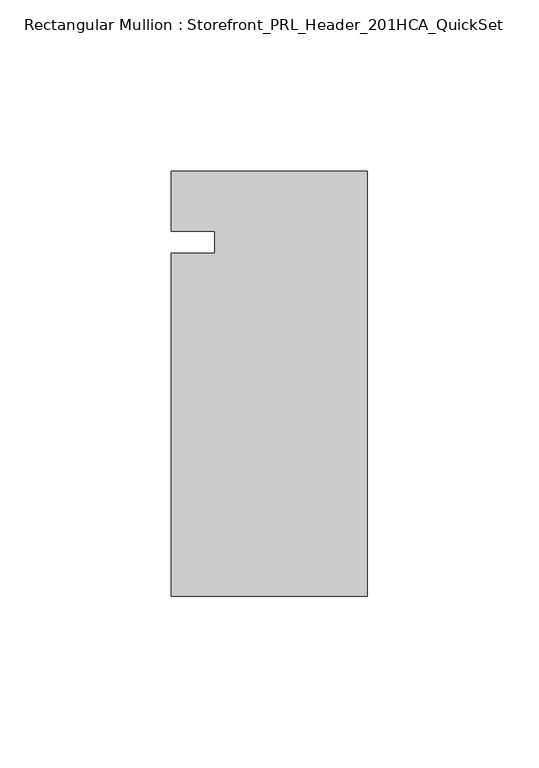
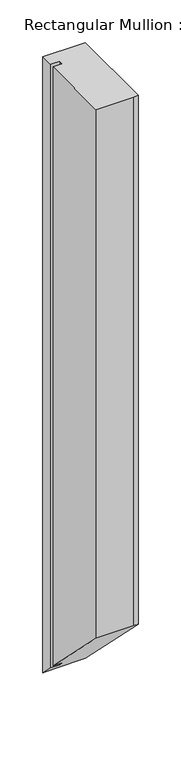
"""IFC4 building model written with IfcOpenShell, lengths in millimetres: member geometry, Rectangular Mullion : Storefront_PRL_Header_201HCA_QuickSet."""

from ifc_helpers import new_model, si_unit, origin, place, context, project, spatial, faceted_brep, source, transform, mapped, element, save


def rectangular_mullion_storefront_prl_header_201hca_quickset_27a0ee0b(model_context):
    return source(origin(), model_context, "Body", "Brep", [
        faceted_brep([(-44.45, -3.175, 0.0), (-57.15, -3.175, 0.0), (-57.15, -103.1875, 0.0), (-6.35, -103.1875, 0.0), (0.0, -103.1875, 0.0), (0.0, 20.6375, 0.0), (-7.7254924, 20.6375, 0.0), (-57.15, 20.6375, 0.0), (-57.15, 3.175, 0.0), (-44.45, 3.175, 0.0), (-44.45, -3.175, -854.075), (-57.15, -3.175, -854.075), (-57.15, -103.1875, -754.0625), (-6.35, -103.1875, -754.0625), (0.0, -103.1875, -754.0625), (0.0, 20.6375, -877.8875), (-7.7254924, 20.6375, -877.8875), (-57.15, 20.6375, -877.8875), (-57.15, 3.175, -860.425), (-44.45, 3.175, -860.425)], [[[0, 1, 2, 3, 4, 5, 6, 7, 8, 9]], [[1, 0, 10, 11]], [[2, 1, 11, 12]], [[3, 2, 12, 13]], [[4, 3, 13, 14]], [[5, 4, 14, 15]], [[6, 5, 15, 16]], [[7, 6, 16, 17]], [[8, 7, 17, 18]], [[9, 8, 18, 19]], [[0, 9, 19, 10]], [[10, 19, 18, 17, 16, 15, 14, 13, 12, 11]]]),
    ])


if __name__ == "__main__":
    model = new_model("IFC4")
    model_context = context("Model", 3, world=origin())
    ifc_project = project(units=[si_unit("LENGTHUNIT", "METRE", prefix="MILLI")], contexts=[model_context])
    site = spatial("IfcSite", under=ifc_project)
    building = spatial("IfcBuilding", under=site)
    placement = place(None, origin())
    rectangular_mullion_storefront_prl_header_201hca_quickset_shape = rectangular_mullion_storefront_prl_header_201hca_quickset_27a0ee0b(model_context)
    element("IfcMember", 1, ObjectType="Rectangular Mullion : Storefront_PRL_Header_201HCA_QuickSet", at=placement, inside=building, context=model_context, shape_type="MappedRepresentation", body=[
        mapped(rectangular_mullion_storefront_prl_header_201hca_quickset_shape, transform((0.0, 0.0, 0.0), x_axis=(1.0, 0.0, 0.0), y_axis=(0.0, 1.0, 0.0), z_axis=(0.0, 0.0, 1.0))),
    ])
    save(model, "model.ifc")
